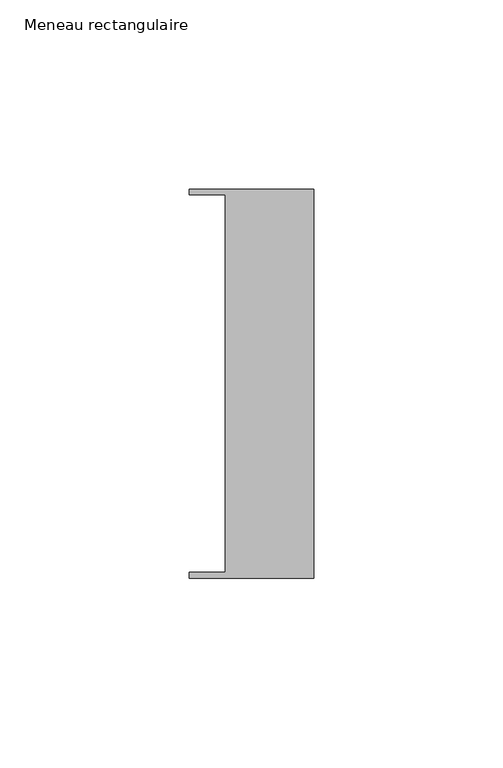
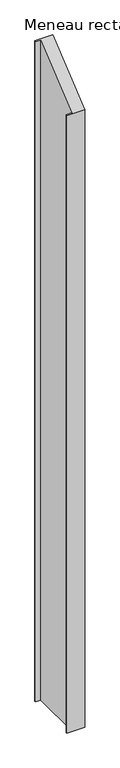
"""IFC4 building model written with IfcOpenShell, lengths in millimetres: member geometry, Meneau rectangulaire."""

from ifc_helpers import new_model, si_unit, origin, place, context, project, spatial, faceted_brep, source, transform, mapped, element, save


def meneau_rectangulaire_9f9d1b0e(model_context):
    return source(origin(), model_context, "Body", "Brep", [
        faceted_brep([(-33.0, 51.4622428, -1255.0000003), (0.0, 51.4622428, -1255.0000003), (0.0, -51.4712299, -1255.0000003), (-33.0, -51.4712299, -1255.0000003), (-33.0, -49.9505712, -1255.0000003), (-23.4, -49.9505712, -1255.0000003), (-23.4, 49.9614402, -1255.0000003), (-33.0, 49.9614402, -1255.0000003), (-23.4, -49.9505712, -41.1760733), (-23.4, 49.9614402, 41.1850331), (0.0, -51.4712299, -42.4296076), (-33.0, -51.4712299, -42.4296076), (0.0, 51.4622428, 42.4221992), (-33.0, 51.4622428, 42.4221992), (-33.0, 49.9614402, 41.1850331), (-33.0, -49.9505712, -41.1760733)], [[[0, 1, 2, 3, 4, 5, 6, 7]], [[8, 9, 6, 5]], [[10, 11, 3, 2]], [[12, 10, 2, 1]], [[13, 12, 1, 0]], [[14, 13, 0, 7]], [[9, 14, 7, 6]], [[15, 8, 5, 4]], [[11, 15, 4, 3]], [[13, 14, 9, 8, 15, 11, 10, 12]]]),
    ])


if __name__ == "__main__":
    model = new_model("IFC4")
    model_context = context("Model", 3, world=origin())
    ifc_project = project(units=[si_unit("LENGTHUNIT", "METRE", prefix="MILLI")], contexts=[model_context])
    site = spatial("IfcSite", under=ifc_project)
    building = spatial("IfcBuilding", under=site)
    placement = place(None, origin())
    meneau_rectangulaire_shape = meneau_rectangulaire_9f9d1b0e(model_context)
    element("IfcMember", 1, ObjectType="Meneau rectangulaire", at=placement, inside=building, context=model_context, shape_type="MappedRepresentation", body=[
        mapped(meneau_rectangulaire_shape, transform((0.0, 0.0, 0.0), x_axis=(1.0, 0.0, 0.0), y_axis=(0.0, 1.0, 0.0), z_axis=(0.0, 0.0, 1.0))),
    ])
    save(model, "model.ifc")
